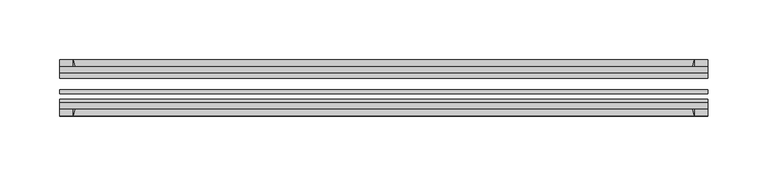
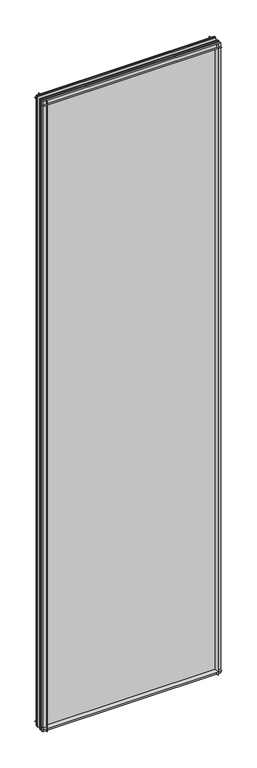
"""IFC4 building model written with IfcOpenShell, lengths in millimetres: plate geometry."""

import ifcopenshell
import ifcopenshell.guid

model = None  # the IFC model being written
_history = None  # IfcOwnerHistory: only IFC2X3 demands one
_inside = {}  # id of a spatial element -> (the spatial element, [elements in it])
_under = {}  # id of a project, library or spatial element -> (it, [spatial elements below it])
_declared = {}  # id of a project -> (the project, [libraries it declares])
_typed = {}  # id of a type object -> (the type object, [elements of that type])
_made_of = {}  # id of a material, layer set ... -> (it, [elements and type objects made of it])


def new_model(schema):
    """Start an empty IFC model of exactly this schema.

    Asked for "IFC4X3", IfcOpenShell would pick the latest addendum, in which some entities
    have other attributes; the version numbers below select the first issue.
    IFC2X3 requires an IfcOwnerHistory on every rooted entity: one is made here for all.
    """
    global model, _history
    if schema == "IFC4X3":
        model = ifcopenshell.file(schema_version=(4, 3, 0, 0))
    else:
        model = ifcopenshell.file(schema=schema)
    _inside.clear()
    _under.clear()
    _declared.clear()
    _typed.clear()
    _made_of.clear()
    _history = None
    if model.schema == "IFC2X3":
        org = make("IfcOrganization", Name="unknown")
        user = make(
            "IfcPersonAndOrganization",
            ThePerson=make("IfcPerson", FamilyName="unknown"),
            TheOrganization=org,
        )
        app = make(
            "IfcApplication",
            ApplicationDeveloper=org,
            Version="unknown",
            ApplicationFullName="unknown",
            ApplicationIdentifier="unknown",
        )
        _history = make(
            "IfcOwnerHistory",
            OwningUser=user,
            OwningApplication=app,
            ChangeAction="ADDED",
            CreationDate=0,
        )
    return model


def make(cls, **values):
    """One entity of the class cls with the attributes given. An attribute that is None is left unset."""
    return model.create_entity(
        cls, **{name: value for name, value in values.items() if value is not None}
    )


def rooted(cls, **values):
    """An entity with a GlobalId (a new one), such as an element, a storey or a relation."""
    return make(cls, GlobalId=ifcopenshell.guid.new(), OwnerHistory=_history, **values)


def si_unit(unit_type, name, prefix=None):
    """IfcSIUnit, for example si_unit("LENGTHUNIT", "METRE", prefix="MILLI")."""
    return make("IfcSIUnit", UnitType=unit_type, Prefix=prefix, Name=name)


def assignment(units):
    """IfcUnitAssignment: the units of a project."""
    return None if units is None else make("IfcUnitAssignment", Units=units)


def point(xyz):
    """IfcCartesianPoint."""
    return None if xyz is None else make("IfcCartesianPoint", Coordinates=xyz)


def direction(xyz):
    """IfcDirection."""
    return None if xyz is None else make("IfcDirection", DirectionRatios=xyz)


def frame(location, z_axis=None, x_axis=None):
    """IfcAxis2Placement3D, a coordinate frame: its origin and axes. An axis left out is left unset."""
    return make(
        "IfcAxis2Placement3D",
        Location=point(location),
        Axis=direction(z_axis),
        RefDirection=direction(x_axis),
    )


def frame_2d(location, x_axis=None):
    """IfcAxis2Placement2D, a coordinate frame in the plane: its origin and x axis."""
    return make(
        "IfcAxis2Placement2D", Location=point(location), RefDirection=direction(x_axis)
    )


def origin():
    """The frame at (0, 0, 0) with its axes left unset."""
    return frame((0.0, 0.0, 0.0))


def place(relative_to, where):
    """IfcLocalPlacement: puts the frame where relative to a parent placement (None: the world)."""
    return make(
        "IfcLocalPlacement", PlacementRelTo=relative_to, RelativePlacement=where
    )


def context(
    kind, dimensions, precision=None, world=None, true_north=None, identifier=None
):
    """IfcGeometricRepresentationContext, for example the 3D "Model" context."""
    return make(
        "IfcGeometricRepresentationContext",
        ContextIdentifier=identifier,
        ContextType=kind,
        CoordinateSpaceDimension=dimensions,
        Precision=precision,
        WorldCoordinateSystem=world,
        TrueNorth=true_north,
    )


def project(units=None, contexts=None):
    """IfcProject with its units and contexts."""
    return rooted(
        "IfcProject",
        Name="project",
        RepresentationContexts=contexts,
        UnitsInContext=assignment(units),
    )


def spatial(cls, under=None, at=None, **own):
    """A site, building, storey or space (cls), placed at a placement, below another one or the project."""
    s = rooted(cls, ObjectPlacement=at, **own)
    if under is not None:
        _under.setdefault(under.id(), (under, []))[1].append(s)
    return s


def polyline(points):
    """IfcPolyline through the points."""
    return make("IfcPolyline", Points=[point(p) for p in points])


def circle_curve(where, radius):
    """IfcCircle in the frame where."""
    return make("IfcCircle", Position=where, Radius=radius)


def trimmed(basis, trim1, trim2, sense, master):
    """IfcTrimmedCurve: the piece of a basis curve between two trims."""
    return make(
        "IfcTrimmedCurve",
        BasisCurve=basis,
        Trim1=trim1,
        Trim2=trim2,
        SenseAgreement=sense,
        MasterRepresentation=master,
    )


def segment(curve, same_sense, transition):
    """IfcCompositeCurveSegment."""
    return make(
        "IfcCompositeCurveSegment",
        Transition=transition,
        SameSense=same_sense,
        ParentCurve=curve,
    )


def composite_curve(segments, self_intersect=None):
    """IfcCompositeCurve: segments joined end to end."""
    return make("IfcCompositeCurve", Segments=segments, SelfIntersect=self_intersect)


def outline(outer, holes=None, kind="AREA"):
    """IfcArbitraryClosedProfileDef: a profile drawn as a closed curve; with holes, ...WithVoids."""
    if holes is None:
        return make("IfcArbitraryClosedProfileDef", ProfileType=kind, OuterCurve=outer)
    return make(
        "IfcArbitraryProfileDefWithVoids",
        ProfileType=kind,
        OuterCurve=outer,
        InnerCurves=holes,
    )


def extrude(swept, where, along, depth):
    """IfcExtrudedAreaSolid: the profile swept, set in the frame where, extruded along a direction by depth."""
    return make(
        "IfcExtrudedAreaSolid",
        SweptArea=swept,
        Position=where,
        ExtrudedDirection=direction(along),
        Depth=depth,
    )


def shape(context_of_items, identifier, shape_type, items):
    """IfcShapeRepresentation: the items that make up one representation, for example the "Body"."""
    return make(
        "IfcShapeRepresentation",
        ContextOfItems=context_of_items,
        RepresentationIdentifier=identifier,
        RepresentationType=shape_type,
        Items=items,
    )


def source(mapping_origin, context_of_items, identifier, shape_type, items):
    """IfcRepresentationMap: a shape defined once, which mapped items show again and again."""
    return make(
        "IfcRepresentationMap",
        MappingOrigin=mapping_origin,
        MappedRepresentation=shape(context_of_items, identifier, shape_type, items),
    )


def transform(
    local_origin,
    x_axis=None,
    y_axis=None,
    z_axis=None,
    scale=None,
    scale2=None,
    scale3=None,
    uniform=True,
):
    """IfcCartesianTransformationOperator3D, or its non-uniform kind. x_axis, y_axis, z_axis: its Axis1, 2, 3."""
    if uniform:
        return make(
            "IfcCartesianTransformationOperator3D",
            Axis1=direction(x_axis),
            Axis2=direction(y_axis),
            LocalOrigin=point(local_origin),
            Scale=scale,
            Axis3=direction(z_axis),
        )
    return make(
        "IfcCartesianTransformationOperator3DnonUniform",
        Axis1=direction(x_axis),
        Axis2=direction(y_axis),
        LocalOrigin=point(local_origin),
        Scale=scale,
        Axis3=direction(z_axis),
        Scale2=scale2,
        Scale3=scale3,
    )


def mapped(mapping_source, mapping_target):
    """IfcMappedItem: shows the shape of a source again, moved by a transform."""
    return make(
        "IfcMappedItem", MappingSource=mapping_source, MappingTarget=mapping_target
    )


def made_of(thing, what):
    """Note that an element or type object is made of a material, layer set ...; save() writes the relation."""
    if what is not None:
        _made_of.setdefault(what.id(), (what, []))[1].append(thing)
    return thing


def element(
    cls,
    number,
    at=None,
    inside=None,
    cuts=None,
    type_object=None,
    material=None,
    context=None,
    identifier="Body",
    shape_type=None,
    held_by="IfcProductDefinitionShape",
    body=None,
    shapes=None,
    **own,
):
    """One element of the class cls, such as IfcWall. Its Tag is "e" and its number.

    at: its placement. inside: the storey or other place that contains it. cuts: it is an
    opening in that element (IfcRelVoidsElement). A single representation is given by context,
    identifier, shape_type and body (its items); several are given by shapes. held_by: the class
    of the entity that holds the representations. save() writes the other relations.
    """
    e = rooted(cls, Tag="e%d" % number, ObjectPlacement=at, **own)
    if body is not None:
        shapes = [shape(context, identifier, shape_type, body)]
    if shapes is not None:
        e.Representation = make(held_by, Representations=shapes)
    if inside is not None:
        _inside.setdefault(inside.id(), (inside, []))[1].append(e)
    if cuts is not None:
        rooted(
            "IfcRelVoidsElement", RelatingBuildingElement=cuts, RelatedOpeningElement=e
        )
    if type_object is not None:
        _typed.setdefault(type_object.id(), (type_object, []))[1].append(e)
    return made_of(e, material)


def aggregate(whole, parts):
    """IfcRelAggregates: a whole, such as a stair, and the parts it consists of."""
    return rooted("IfcRelAggregates", RelatingObject=whole, RelatedObjects=parts)


def save(model, path):
    """Write the relations noted so far, then the file.

    IfcRelAggregates (storeys below a building ...), IfcRelContainedInSpatialStructure (elements
    in a storey), IfcRelDefinesByType, IfcRelAssociatesMaterial and IfcRelDeclares: one each for
    every whole, place, type object, material and project.
    """
    for whole, parts in _under.values():
        aggregate(whole, parts)
    for where, things in _inside.values():
        rooted(
            "IfcRelContainedInSpatialStructure",
            RelatedElements=things,
            RelatingStructure=where,
        )
    for kind, things in _typed.values():
        rooted("IfcRelDefinesByType", RelatedObjects=things, RelatingType=kind)
    for what, things in _made_of.values():
        rooted("IfcRelAssociatesMaterial", RelatedObjects=things, RelatingMaterial=what)
    for by, libraries in _declared.values():
        rooted("IfcRelDeclares", RelatingContext=by, RelatedDefinitions=libraries)
    model.write(path)


def plate_ca985147(model_context):
    return source(origin(), model_context, "Body", "SweptSolid", [
        extrude(outline(composite_curve([segment(polyline([(-74.653775, 0.0), (-80.586498, 0.0)]), True, "CONTINUOUS"), segment(trimmed(circle_curve(frame_2d((-86.2543953, 32.273404)), 32.7673262), [point((-80.586498, 0.0))], [point((-69.878575, 3.8915405))], True, "CARTESIAN"), True, "CONTINUOUS"), segment(polyline([(-69.878575, 3.8915405), (-69.878575, -10.31875), (-74.653775, -10.31875), (-74.653775, 0.0)]), True, "CONTINUOUS")], self_intersect=False)), frame((-271.4625, 0.0, 0.0), z_axis=(1.0, 0.0, 0.0), x_axis=(0.0, 1.0, 0.0)), (0.0, 0.0, 1.0), 542.925),
        extrude(outline(composite_curve([segment(polyline([(-44.478575, -10.31875), (-44.478575, 3.8915405)]), True, "CONTINUOUS"), segment(trimmed(circle_curve(frame_2d((-28.1027547, 32.273404)), 32.7673262), [point((-44.478575, 3.8915405))], [point((-33.770652, 0.0))], True, "CARTESIAN"), True, "CONTINUOUS"), segment(polyline([(-33.770652, 0.0), (-39.703375, 0.0), (-39.703375, -10.31875), (-44.478575, -10.31875)]), True, "CONTINUOUS")], self_intersect=False)), frame((-271.4625, 0.0, 0.0), z_axis=(1.0, 0.0, 0.0), x_axis=(0.0, 1.0, 0.0)), (0.0, 0.0, 1.0), 542.925),
        extrude(outline(composite_curve([segment(trimmed(circle_curve(frame_2d((-86.2543953, 1977.495246)), 32.7673262), [point((-69.878575, 2005.8771095))], [point((-80.622775, 2009.775))], True, "CARTESIAN"), True, "CONTINUOUS"), segment(polyline([(-80.622775, 2009.775), (-74.653775, 2009.775), (-74.653775, 2020.8875), (-69.878575, 2020.8875), (-69.878575, 2005.8771095)]), True, "CONTINUOUS")], self_intersect=False)), frame((-271.4625, 0.0, 0.0), z_axis=(1.0, 0.0, 0.0), x_axis=(0.0, 1.0, 0.0)), (0.0, 0.0, 1.0), 542.925),
        extrude(outline(composite_curve([segment(polyline([(-44.478575, 2005.8771095), (-44.478575, 2020.8875), (-39.703375, 2020.8875), (-39.703375, 2009.775), (-33.734375, 2009.775)]), True, "CONTINUOUS"), segment(trimmed(circle_curve(frame_2d((-28.1027547, 1977.495246)), 32.7673262), [point((-33.734375, 2009.775))], [point((-44.478575, 2005.8771095))], True, "CARTESIAN"), True, "CONTINUOUS")], self_intersect=False)), frame((-271.4625, 0.0, 0.0), z_axis=(1.0, 0.0, 0.0), x_axis=(0.0, 1.0, 0.0)), (0.0, 0.0, 1.0), 542.925),
        extrude(outline(composite_curve([segment(polyline([(256.4521095, -69.878575), (271.4625, -69.878575), (271.4625, -74.653775), (260.35, -74.653775), (260.35, -80.622775)]), True, "CONTINUOUS"), segment(trimmed(circle_curve(frame_2d((228.070246, -86.2543953)), 32.7673262), [point((260.35, -80.622775))], [point((256.4521095, -69.878575))], True, "CARTESIAN"), True, "CONTINUOUS")], self_intersect=False)), frame((0.0, 0.0, -10.31875), z_axis=(0.0, 0.0, 1.0), x_axis=(1.0, 0.0, 0.0)), (0.0, 0.0, 1.0), 2031.20625),
        extrude(outline(composite_curve([segment(trimmed(circle_curve(frame_2d((228.070246, -28.1027547)), 32.7673262), [point((256.4521095, -44.478575))], [point((260.35, -33.734375))], True, "CARTESIAN"), True, "CONTINUOUS"), segment(polyline([(260.35, -33.734375), (260.35, -39.703375), (271.4625, -39.703375), (271.4625, -44.478575), (256.4521095, -44.478575)]), True, "CONTINUOUS")], self_intersect=False)), frame((0.0, 0.0, -10.31875), z_axis=(0.0, 0.0, 1.0), x_axis=(1.0, 0.0, 0.0)), (0.0, 0.0, 1.0), 2031.20625),
        extrude(outline(composite_curve([segment(trimmed(circle_curve(frame_2d((-228.070246, -86.2543953)), 32.7673262), [point((-256.4521095, -69.878575))], [point((-260.35, -80.622775))], True, "CARTESIAN"), True, "CONTINUOUS"), segment(polyline([(-260.35, -80.622775), (-260.35, -74.653775), (-271.4625, -74.653775), (-271.4625, -69.878575), (-256.4521095, -69.878575)]), True, "CONTINUOUS")], self_intersect=False)), frame((0.0, 0.0, -10.31875), z_axis=(0.0, 0.0, 1.0), x_axis=(1.0, 0.0, 0.0)), (0.0, 0.0, 1.0), 2031.20625),
        extrude(outline(composite_curve([segment(polyline([(-256.4521095, -44.478575), (-271.4625, -44.478575), (-271.4625, -39.703375), (-260.35, -39.703375), (-260.35, -33.734375)]), True, "CONTINUOUS"), segment(trimmed(circle_curve(frame_2d((-228.070246, -28.1027547)), 32.7673262), [point((-260.35, -33.734375))], [point((-256.4521095, -44.478575))], True, "CARTESIAN"), True, "CONTINUOUS")], self_intersect=False)), frame((0.0, 0.0, -10.31875), z_axis=(0.0, 0.0, 1.0), x_axis=(1.0, 0.0, 0.0)), (0.0, 0.0, 1.0), 2031.20625),
        extrude(outline(polyline([(-271.4625, -44.478575), (271.4625, -44.478575), (271.4625, -49.241075), (-271.4625, -49.241075), (-271.4625, -44.478575)])), frame((0.0, 0.0, -10.31875), z_axis=(0.0, 0.0, 1.0), x_axis=(1.0, 0.0, 0.0)), (0.0, 0.0, 1.0), 2031.20625),
        extrude(outline(polyline([(271.4625, -58.956575), (271.4625, -62.131575), (-271.4625, -62.131575), (-271.4625, -58.956575), (271.4625, -58.956575)])), frame((0.0, 0.0, -10.31875), z_axis=(0.0, 0.0, 1.0), x_axis=(1.0, 0.0, 0.0)), (0.0, 0.0, 1.0), 2031.20625),
        extrude(outline(polyline([(-271.4625, -66.703575), (271.4625, -66.703575), (271.4625, -69.878575), (-271.4625, -69.878575), (-271.4625, -66.703575)])), frame((0.0, 0.0, -10.31875), z_axis=(0.0, 0.0, 1.0), x_axis=(1.0, 0.0, 0.0)), (0.0, 0.0, 1.0), 2031.20625),
    ])


if __name__ == "__main__":
    model = new_model("IFC4")
    model_context = context("Model", 3, world=origin())
    ifc_project = project(units=[si_unit("LENGTHUNIT", "METRE", prefix="MILLI")], contexts=[model_context])
    site = spatial("IfcSite", under=ifc_project)
    building = spatial("IfcBuilding", under=site)
    placement = place(None, origin())
    plate_shape = plate_ca985147(model_context)
    element("IfcPlate", 1, at=placement, inside=building, context=model_context, shape_type="MappedRepresentation", body=[
        mapped(plate_shape, transform((0.0, 0.0, 0.0), x_axis=(1.0, 0.0, 0.0), y_axis=(0.0, 1.0, 0.0), z_axis=(0.0, 0.0, 1.0))),
    ])
    save(model, "model.ifc")
